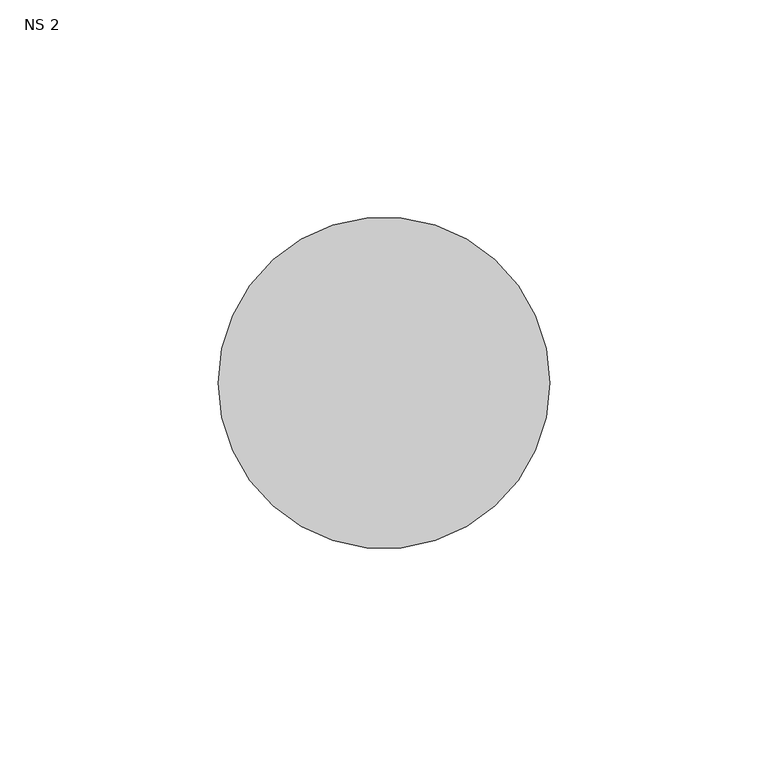
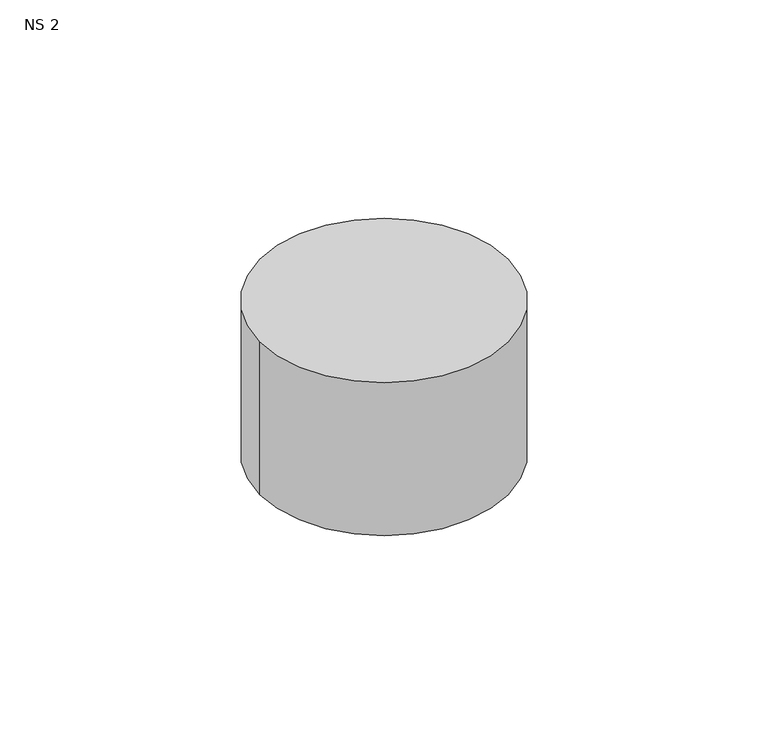
"""IFC4 building model written with IfcOpenShell, lengths in millimetres: unitary equipment geometry, NS 2."""

from ifc_helpers import new_model, si_unit, point, frame, frame_2d, origin, place, context, project, spatial, circle_curve, trimmed, segment, composite_curve, outline, extrude, source, transform, mapped, element, save


def ns_2_f6d45bf0(model_context):
    return source(origin(), model_context, "Body", "SweptSolid", [
        extrude(outline(composite_curve([segment(trimmed(circle_curve(frame_2d((200.0, 345.0)), 38.0), [point((162.0, 345.0))], [point((238.0, 345.0))], False, "CARTESIAN"), True, "CONTINUOUS"), segment(trimmed(circle_curve(frame_2d((200.0, 345.0)), 38.0), [point((238.0, 345.0))], [point((162.0, 345.0))], False, "CARTESIAN"), True, "CONTINUOUS")], self_intersect=False)), frame((0.0, 0.0, 1162.5), z_axis=(0.0, 0.0, 1.0), x_axis=(1.0, 0.0, 0.0)), (0.0, 0.0, 1.0), 49.5),
    ])


if __name__ == "__main__":
    model = new_model("IFC4")
    model_context = context("Model", 3, world=origin())
    ifc_project = project(units=[si_unit("LENGTHUNIT", "METRE", prefix="MILLI")], contexts=[model_context])
    site = spatial("IfcSite", under=ifc_project)
    building = spatial("IfcBuilding", under=site)
    placement = place(None, origin())
    ns_2_shape = ns_2_f6d45bf0(model_context)
    element("IfcUnitaryEquipment", 1, ObjectType="NS 2", at=placement, inside=building, context=model_context, shape_type="MappedRepresentation", body=[
        mapped(ns_2_shape, transform((0.0, 0.0, 0.0), x_axis=(1.0, 0.0, 0.0), y_axis=(0.0, 1.0, 0.0), z_axis=(0.0, 0.0, 1.0))),
    ])
    save(model, "model.ifc")
